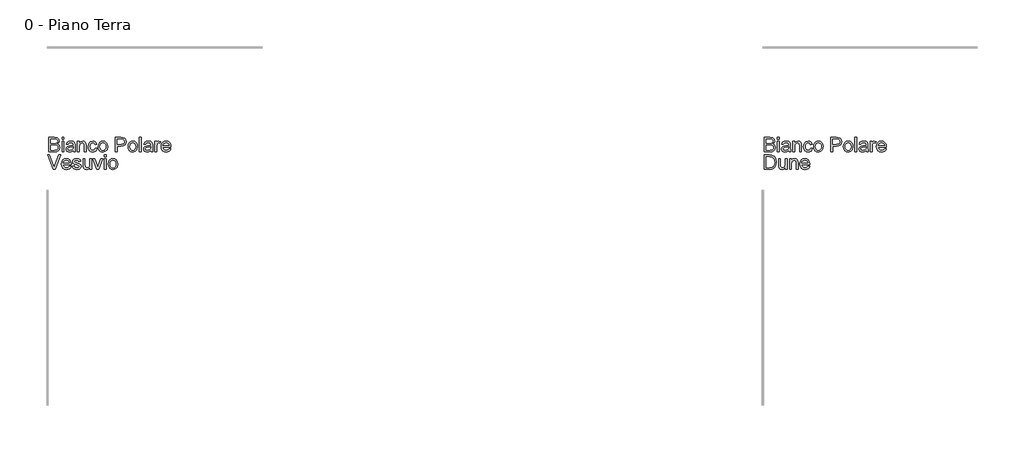
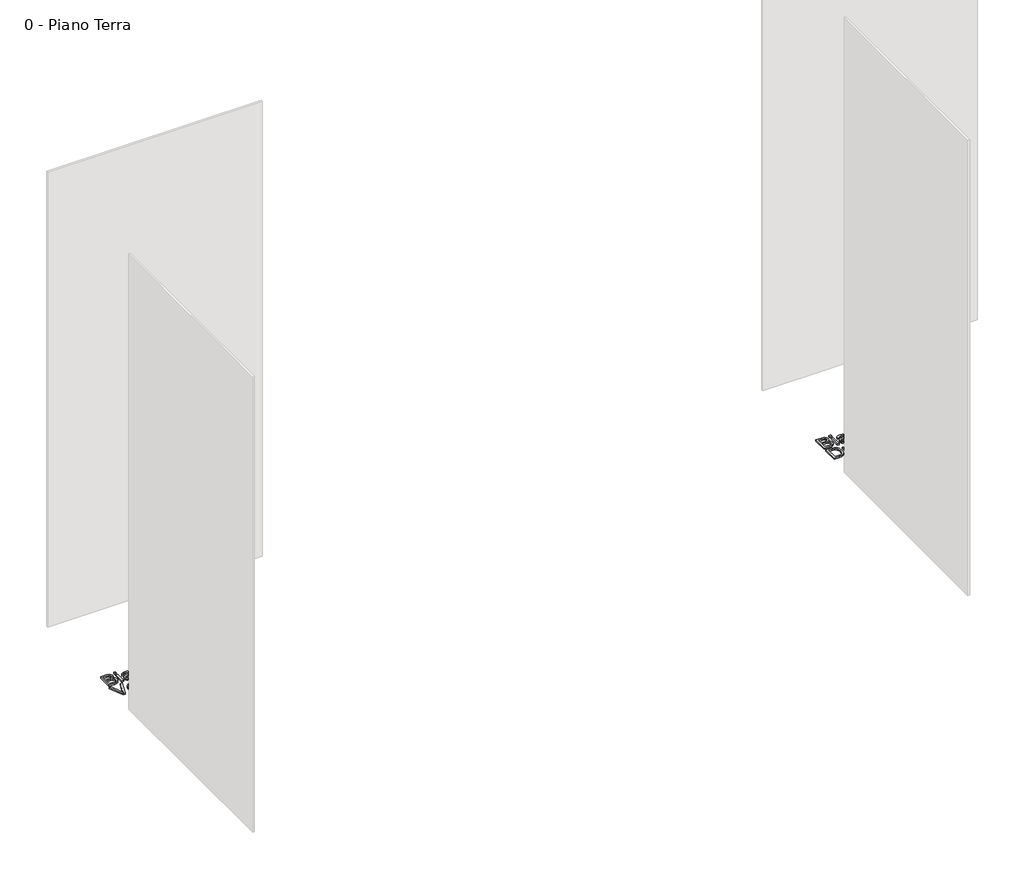
# One storey, part 15 of 35: 2 proxies.
"""IFC4 building model written with IfcOpenShell, lengths in millimetres."""

from ifc_helpers import new_model, si_unit, origin, origin_with_axes, place, context, project, spatial, polyline, outline, extrude, element, save

model = new_model("IFC4")

# Units and contexts
model_context = context("Model", 3, world=origin())
ifc_project = project(units=[si_unit("LENGTHUNIT", "METRE", prefix="MILLI")], contexts=[model_context])

# Site, building, storey
site = spatial("IfcSite", under=ifc_project)
building = spatial("IfcBuilding", under=site)
storey = spatial("IfcBuildingStorey", under=building, Name="0 - Piano Terra", Elevation=0.0)

# Proxies
placement = place(None, origin())
element("IfcBuildingElementProxy", 1, Name="Testo modello 1", ObjectType="Testo modello 1", at=placement, inside=storey, context=model_context, shape_type="SweptSolid", body=[
    extrude(outline(polyline([(-2268.2707509, -12273.7592352), (-2268.2707509, -12173.302925), (-2229.937447, -12173.302925), (-2211.1632025, -12176.2582437), (-2200.0776918, -12185.344929), (-2196.067778, -12198.1962733), (-2199.4400296, -12209.931709), (-2209.6303609, -12218.8221905), (-2197.2572631, -12228.1909187), (-2192.9285183, -12243.8136407), (-2195.883837, -12257.31491), (-2203.2046887, -12266.9288928), (-2214.130784, -12272.0301898), (-2230.2317526, -12273.7592352), (-2268.2707509, -12273.7592352)]), holes=[polyline([(-2255.7137122, -12214.113301), (-2232.7824011, -12214.113301), (-2219.3914965, -12213.0341805), (-2211.3348808, -12208.3866046), (-2208.6248168, -12200.2073616), (-2211.1509398, -12192.0158558), (-2218.3859524, -12187.1720762), (-2234.5237092, -12185.8599638), (-2255.7137122, -12185.8599638), (-2255.7137122, -12214.113301)]), polyline([(-2255.7137122, -12261.2021964), (-2229.9619725, -12261.2021964), (-2220.6422953, -12260.7116871), (-2212.7573579, -12257.9770976), (-2207.5334335, -12252.397554), (-2205.4855571, -12243.9362681), (-2207.8890528, -12234.1751325), (-2215.6758883, -12228.3503342), (-2231.1882458, -12226.6703398), (-2255.7137122, -12226.6703398), (-2255.7137122, -12261.2021964)])]), origin_with_axes(), (0.0, 0.0, 1.0), 10.0),
    extrude(outline(polyline([(-2177.2322199, -12185.8599638), (-2177.2322199, -12173.302925), (-2164.6751811, -12173.302925), (-2164.6751811, -12185.8599638), (-2177.2322199, -12185.8599638)])), origin_with_axes(), (0.0, 0.0, 1.0), 10.0),
    extrude(outline(polyline([(-2177.2322199, -12273.7592352), (-2177.2322199, -12199.9866324), (-2164.6751811, -12199.9866324), (-2164.6751811, -12273.7592352), (-2177.2322199, -12273.7592352)])), origin_with_axes(), (0.0, 0.0, 1.0), 10.0),
    extrude(outline(polyline([(-2098.7507275, -12264.3414561), (-2110.9276216, -12272.8517929), (-2124.3798399, -12275.328865), (-2134.8736738, -12273.8389429), (-2142.6145241, -12269.3691767), (-2147.387793, -12262.5817539), (-2148.9788826, -12254.1388621), (-2146.5753869, -12244.2060482), (-2140.2600793, -12236.9955611), (-2131.4676997, -12232.8752828), (-2120.6029181, -12230.9868218), (-2098.8243039, -12226.6703398), (-2098.7507275, -12223.8744366), (-2102.2088183, -12214.6038103), (-2116.0902323, -12210.9740413), (-2128.7944238, -12213.3897997), (-2134.852214, -12221.9614502), (-2147.4092528, -12220.3918204), (-2141.976862, -12208.1290872), (-2131.038504, -12200.9431256), (-2114.4715515, -12198.4170025), (-2099.2534996, -12200.64882), (-2090.6573237, -12206.252889), (-2086.8068254, -12214.7754886), (-2086.1936888, -12225.7628975), (-2086.1936888, -12241.3856196), (-2085.5560267, -12263.2010219), (-2083.0544291, -12273.7592352), (-2095.6114679, -12273.7592352), (-2098.7507275, -12264.3414561)]), holes=[polyline([(-2098.7507275, -12239.2273785), (-2119.0087627, -12243.0778768), (-2129.8122307, -12245.1134905), (-2134.7050612, -12248.4244284), (-2136.4218439, -12253.2559453), (-2132.6817102, -12260.0494995), (-2121.706564, -12262.7718262), (-2109.0023725, -12259.7674566), (-2100.8108667, -12252.4956558), (-2098.8243039, -12242.7835712), (-2098.7507275, -12239.2273785)])]), origin_with_axes(), (0.0, 0.0, 1.0), 10.0),
    extrude(outline(polyline([(-2068.9277605, -12273.7592352), (-2068.9277605, -12199.9866324), (-2056.3707217, -12199.9866324), (-2056.3707217, -12210.2873283), (-2046.7690016, -12201.384584), (-2033.6601399, -12198.4170025), (-2021.8020769, -12200.8082355), (-2013.708673, -12207.0867549), (-2009.9440139, -12216.320593), (-2009.2818263, -12228.4606988), (-2009.2818263, -12273.7592352), (-2021.8388651, -12273.7592352), (-2021.8388651, -12230.152956), (-2023.2858676, -12219.0429197), (-2028.3994273, -12213.1690705), (-2037.0201288, -12210.9740413), (-2050.6440253, -12215.90366), (-2054.9390476, -12223.0467021), (-2056.3707217, -12234.6165909), (-2056.3707217, -12273.7592352), (-2068.9277605, -12273.7592352)])), origin_with_axes(), (0.0, 0.0, 1.0), 10.0),
    extrude(outline(polyline([(-1944.9270026, -12247.0755278), (-1932.3699639, -12248.6451576), (-1935.8709742, -12259.8134419), (-1942.4499305, -12268.253268), (-1951.4875649, -12273.5599657), (-1962.3646092, -12275.328865), (-1975.7217913, -12272.8609899), (-1986.1665743, -12265.4573648), (-1992.9080119, -12253.442952), (-1995.1551577, -12237.1427139), (-1991.3169222, -12216.2838048), (-1979.6182748, -12202.8806374), (-1962.5362875, -12198.4170025), (-1951.9259576, -12199.9498442), (-1943.4432119, -12204.5483691), (-1937.3578306, -12211.9673227), (-1933.9395937, -12221.9614502), (-1946.4966325, -12223.5310801), (-1952.3214307, -12214.1255637), (-1962.4381856, -12210.9740413), (-1970.5530493, -12212.5252771), (-1976.9940499, -12217.1789843), (-1981.1971017, -12225.1865491), (-1982.5981189, -12236.7993574), (-1981.2277585, -12248.5685155), (-1977.1166772, -12256.6036714), (-1970.7921726, -12261.2297875), (-1962.7815421, -12262.7718262), (-1950.9480046, -12258.921328), (-1944.9270026, -12247.0755278)])), origin_with_axes(), (0.0, 0.0, 1.0), 10.0),
    extrude(outline(polyline([(-1924.5218146, -12236.8729338), (-1921.8056192, -12219.0858393), (-1913.657033, -12206.5839828), (-1903.5893291, -12200.4587476), (-1891.5350624, -12198.4170025), (-1878.3434272, -12200.9032717), (-1867.8066737, -12208.3620791), (-1860.8996892, -12220.2048137), (-1858.5973611, -12235.8428642), (-1862.6685885, -12258.185564), (-1874.5266515, -12270.8284419), (-1891.5350624, -12275.328865), (-1904.8861131, -12272.8517929), (-1915.4106039, -12265.4205766), (-1922.2440119, -12253.3295217), (-1924.5218146, -12236.8729338)]), holes=[polyline([(-1911.9647759, -12236.8484083), (-1910.511642, -12248.2128963), (-1906.1522403, -12256.3093658), (-1899.5916781, -12261.1562111), (-1891.5350624, -12262.7718262), (-1883.5152349, -12261.1470141), (-1876.9669354, -12256.2725776), (-1872.6075337, -12248.0688092), (-1871.1543999, -12236.4560008), (-1872.6167308, -12225.4226067), (-1877.0037236, -12217.4365017), (-1883.5612202, -12212.5896564), (-1891.5350624, -12210.9740413), (-1899.5916781, -12212.583525), (-1906.1522403, -12217.4119762), (-1910.511642, -12225.4900517), (-1911.9647759, -12236.8484083)])]), origin_with_axes(), (0.0, 0.0, 1.0), 10.0),
    extrude(outline(polyline([(-1803.6603165, -12273.7592352), (-1803.6603165, -12173.302925), (-1766.4306586, -12173.302925), (-1751.4210732, -12174.2594182), (-1739.2196537, -12178.956045), (-1731.3101908, -12188.6681297), (-1728.3180839, -12202.3656026), (-1730.3383692, -12214.2052715), (-1736.399225, -12224.0706403), (-1747.7330562, -12230.7293044), (-1765.5722672, -12232.9488592), (-1791.1032777, -12232.9488592), (-1791.1032777, -12273.7592352), (-1803.6603165, -12273.7592352)]), holes=[polyline([(-1791.1032777, -12220.3918204), (-1764.8365033, -12220.3918204), (-1746.3443016, -12215.7810327), (-1742.2424174, -12210.232146), (-1740.8751226, -12202.807061), (-1744.1002215, -12192.4082633), (-1752.5737701, -12186.7183551), (-1765.1308089, -12185.8599638), (-1791.1032777, -12185.8599638), (-1791.1032777, -12220.3918204)])]), origin_with_axes(), (0.0, 0.0, 1.0), 10.0),
    extrude(outline(polyline([(-1715.7610451, -12236.8729338), (-1713.0448497, -12219.0858393), (-1704.8962635, -12206.5839828), (-1694.8285596, -12200.4587476), (-1682.7742929, -12198.4170025), (-1669.5826577, -12200.9032717), (-1659.0459042, -12208.3620791), (-1652.1389197, -12220.2048137), (-1649.8365916, -12235.8428642), (-1653.907819, -12258.185564), (-1665.765882, -12270.8284419), (-1682.7742929, -12275.328865), (-1696.1253436, -12272.8517929), (-1706.6498344, -12265.4205766), (-1713.4832424, -12253.3295217), (-1715.7610451, -12236.8729338)]), holes=[polyline([(-1703.2040063, -12236.8484083), (-1701.7508725, -12248.2128963), (-1697.3914708, -12256.3093658), (-1690.8309086, -12261.1562111), (-1682.7742929, -12262.7718262), (-1674.7544654, -12261.1470141), (-1668.2061659, -12256.2725776), (-1663.8467642, -12248.0688092), (-1662.3936303, -12236.4560008), (-1663.8559613, -12225.4226067), (-1668.2429541, -12217.4365017), (-1674.8004506, -12212.5896564), (-1682.7742929, -12210.9740413), (-1690.8309086, -12212.583525), (-1697.3914708, -12217.4119762), (-1701.7508725, -12225.4900517), (-1703.2040063, -12236.8484083)])]), origin_with_axes(), (0.0, 0.0, 1.0), 10.0),
    extrude(outline(polyline([(-1635.709923, -12273.7592352), (-1635.709923, -12173.302925), (-1623.1528842, -12173.302925), (-1623.1528842, -12273.7592352), (-1635.709923, -12273.7592352)])), origin_with_axes(), (0.0, 0.0, 1.0), 10.0),
    extrude(outline(polyline([(-1557.2284306, -12264.3414561), (-1569.4053247, -12272.8517929), (-1582.857543, -12275.328865), (-1593.3513769, -12273.8389429), (-1601.0922272, -12269.3691767), (-1605.8654961, -12262.5817539), (-1607.4565857, -12254.1388621), (-1605.05309, -12244.2060482), (-1598.7377824, -12236.9955611), (-1589.9454028, -12232.8752828), (-1579.0806212, -12230.9868218), (-1557.302007, -12226.6703398), (-1557.2284306, -12223.8744366), (-1560.6865214, -12214.6038103), (-1574.5679354, -12210.9740413), (-1587.2721269, -12213.3897997), (-1593.3299171, -12221.9614502), (-1605.8869559, -12220.3918204), (-1600.4545651, -12208.1290872), (-1589.5162071, -12200.9431256), (-1572.9492546, -12198.4170025), (-1557.7312027, -12200.64882), (-1549.1350268, -12206.252889), (-1545.2845285, -12214.7754886), (-1544.6713919, -12225.7628975), (-1544.6713919, -12241.3856196), (-1544.0337298, -12263.2010219), (-1541.5321322, -12273.7592352), (-1554.089171, -12273.7592352), (-1557.2284306, -12264.3414561)]), holes=[polyline([(-1557.2284306, -12239.2273785), (-1577.4864658, -12243.0778768), (-1588.2899338, -12245.1134905), (-1593.1827643, -12248.4244284), (-1594.899547, -12253.2559453), (-1591.1594133, -12260.0494995), (-1580.1842671, -12262.7718262), (-1567.4800756, -12259.7674566), (-1559.2885698, -12252.4956558), (-1557.302007, -12242.7835712), (-1557.2284306, -12239.2273785)])]), origin_with_axes(), (0.0, 0.0, 1.0), 10.0),
    extrude(outline(polyline([(-1527.4054636, -12273.7592352), (-1527.4054636, -12199.9866324), (-1516.4180546, -12199.9866324), (-1516.4180546, -12210.9004649), (-1508.6189564, -12200.8450237), (-1500.7708071, -12198.4170025), (-1488.1647174, -12202.2920262), (-1492.3585722, -12213.5492153), (-1501.18774, -12210.9740413), (-1508.2878626, -12213.4511134), (-1512.8128111, -12220.318244), (-1514.8484248, -12234.9844729), (-1514.8484248, -12273.7592352), (-1527.4054636, -12273.7592352)])), origin_with_axes(), (0.0, 0.0, 1.0), 10.0),
    extrude(outline(polyline([(-1428.6659361, -12251.7844173), (-1416.354152, -12253.3540472), (-1420.7901957, -12262.6308048), (-1427.8688584, -12269.5653804), (-1437.4307246, -12273.8879938), (-1449.3163787, -12275.328865), (-1464.0500526, -12272.8425958), (-1475.3869495, -12265.3837884), (-1482.6158307, -12253.4368206), (-1485.0254577, -12237.4860704), (-1482.5913052, -12220.9988257), (-1475.2888476, -12208.6686475), (-1464.1052349, -12200.9799138), (-1450.0276173, -12198.4170025), (-1436.3883923, -12200.9737824), (-1425.4898882, -12208.644122), (-1418.3437804, -12220.9497747), (-1415.9617445, -12237.412494), (-1416.0353209, -12240.7970084), (-1472.468419, -12240.7970084), (-1470.2948495, -12250.1963934), (-1465.2456691, -12257.1064435), (-1457.9585399, -12261.3554805), (-1449.0711241, -12262.7718262), (-1436.75934, -12260.1476013), (-1428.6659361, -12251.7844173)]), holes=[polyline([(-1472.468419, -12228.2399696), (-1428.5187833, -12228.2399696), (-1433.5465039, -12216.8601532), (-1440.8673556, -12212.4455693), (-1450.0766682, -12210.9740413), (-1465.5399747, -12215.6706681), (-1470.4052141, -12221.1613069), (-1472.468419, -12228.2399696)])]), origin_with_axes(), (0.0, 0.0, 1.0), 10.0),
    extrude(outline(polyline([(-2268.2707509, -12395.734053), (-2268.2707509, -12295.2777428), (-2233.616267, -12295.2777428), (-2215.6881511, -12296.7247454), (-2200.9238203, -12303.910707), (-2189.0289692, -12321.0785334), (-2185.0803691, -12344.9663377), (-2187.7536449, -12365.2366356), (-2194.6207755, -12379.8660763), (-2203.7932999, -12388.977287), (-2215.7985157, -12394.0172704), (-2231.9485353, -12395.734053), (-2268.2707509, -12395.734053)]), holes=[polyline([(-2255.7137122, -12383.1770142), (-2233.4936396, -12383.1770142), (-2217.3313573, -12381.3621297), (-2208.0116801, -12376.2363073), (-2200.3719973, -12363.7651076), (-2197.6374079, -12344.7701339), (-2198.9771114, -12331.0849237), (-2202.9962222, -12320.9804316), (-2216.0315076, -12309.8458699), (-2233.8369962, -12307.8347816), (-2255.7137122, -12307.8347816), (-2255.7137122, -12383.1770142)])]), origin_with_axes(), (0.0, 0.0, 1.0), 10.0),
    extrude(outline(polyline([(-2122.2951752, -12395.734053), (-2122.2951752, -12383.0543869), (-2132.1298872, -12393.7413589), (-2144.9567061, -12397.3036828), (-2156.7657182, -12394.8020853), (-2164.908173, -12388.5235659), (-2168.6483066, -12379.2774651), (-2169.3840706, -12367.6033431), (-2169.3840706, -12321.9614502), (-2156.8270319, -12321.9614502), (-2156.8270319, -12361.6927057), (-2156.0667424, -12374.4949991), (-2151.1003355, -12382.0120546), (-2141.74387, -12384.7466441), (-2131.2592332, -12381.9507409), (-2124.3307889, -12374.3355836), (-2122.2951752, -12360.3438051), (-2122.2951752, -12321.9614502), (-2109.7381365, -12321.9614502), (-2109.7381365, -12395.734053), (-2122.2951752, -12395.734053)])), origin_with_axes(), (0.0, 0.0, 1.0), 10.0),
    extrude(outline(polyline([(-2092.4722082, -12395.734053), (-2092.4722082, -12321.9614502), (-2079.9151694, -12321.9614502), (-2079.9151694, -12332.2621461), (-2070.3134493, -12323.3594018), (-2057.2045876, -12320.3918204), (-2045.3465246, -12322.7830534), (-2037.2531207, -12329.0615727), (-2033.4884616, -12338.2954108), (-2032.826274, -12350.4355167), (-2032.826274, -12395.734053), (-2045.3833128, -12395.734053), (-2045.3833128, -12352.1277738), (-2046.8303153, -12341.0177376), (-2051.943875, -12335.1438884), (-2060.5645764, -12332.9488592), (-2074.188473, -12337.8784779), (-2078.4834953, -12345.02152), (-2079.9151694, -12356.5914087), (-2079.9151694, -12395.734053), (-2092.4722082, -12395.734053)])), origin_with_axes(), (0.0, 0.0, 1.0), 10.0),
    extrude(outline(polyline([(-1963.9097136, -12373.7592352), (-1951.5979295, -12375.328865), (-1956.0339732, -12384.6056226), (-1963.1126359, -12391.5401983), (-1972.6745021, -12395.8628117), (-1984.5601562, -12397.3036828), (-1999.2938302, -12394.8174137), (-2010.630727, -12387.3586062), (-2017.8596082, -12375.4116384), (-2020.2692352, -12359.4608883), (-2017.8350827, -12342.9736435), (-2010.5326251, -12330.6434653), (-1999.3490125, -12322.9547316), (-1985.2713948, -12320.3918204), (-1971.6321698, -12322.9486003), (-1960.7336657, -12330.6189399), (-1953.5875579, -12342.9245926), (-1951.205522, -12359.3873119), (-1951.2790984, -12362.7718262), (-2007.7121965, -12362.7718262), (-2005.538627, -12372.1712112), (-2000.4894466, -12379.0812613), (-1993.2023174, -12383.3302984), (-1984.3149016, -12384.7466441), (-1972.0031175, -12382.1224192), (-1963.9097136, -12373.7592352)]), holes=[polyline([(-2007.7121965, -12350.2147875), (-1963.7625608, -12350.2147875), (-1968.7902814, -12338.8349711), (-1976.1111331, -12334.4203871), (-1985.3204457, -12332.9488592), (-2000.7837522, -12337.645486), (-2005.6489916, -12343.1361247), (-2007.7121965, -12350.2147875)])]), origin_with_axes(), (0.0, 0.0, 1.0), 10.0),
])
element("IfcBuildingElementProxy", 2, Name="Testo modello 1", ObjectType="Testo modello 1", at=placement, inside=storey, context=model_context, shape_type="SweptSolid", body=[
    extrude(outline(polyline([(-7268.2707509, -12273.7592352), (-7268.2707509, -12173.302925), (-7229.937447, -12173.302925), (-7211.1632025, -12176.2582437), (-7200.0776918, -12185.344929), (-7196.067778, -12198.1962733), (-7199.4400296, -12209.931709), (-7209.6303609, -12218.8221905), (-7197.2572631, -12228.1909187), (-7192.9285183, -12243.8136407), (-7195.883837, -12257.31491), (-7203.2046887, -12266.9288928), (-7214.130784, -12272.0301898), (-7230.2317526, -12273.7592352), (-7268.2707509, -12273.7592352)]), holes=[polyline([(-7255.7137122, -12214.113301), (-7232.7824011, -12214.113301), (-7219.3914965, -12213.0341805), (-7211.3348808, -12208.3866046), (-7208.6248168, -12200.2073616), (-7211.1509398, -12192.0158558), (-7218.3859524, -12187.1720762), (-7234.5237092, -12185.8599638), (-7255.7137122, -12185.8599638), (-7255.7137122, -12214.113301)]), polyline([(-7255.7137122, -12261.2021964), (-7229.9619725, -12261.2021964), (-7220.6422953, -12260.7116871), (-7212.7573579, -12257.9770976), (-7207.5334335, -12252.397554), (-7205.4855571, -12243.9362681), (-7207.8890528, -12234.1751325), (-7215.6758883, -12228.3503342), (-7231.1882458, -12226.6703398), (-7255.7137122, -12226.6703398), (-7255.7137122, -12261.2021964)])]), origin_with_axes(), (0.0, 0.0, 1.0), 10.0),
    extrude(outline(polyline([(-7177.2322199, -12185.8599638), (-7177.2322199, -12173.302925), (-7164.6751811, -12173.302925), (-7164.6751811, -12185.8599638), (-7177.2322199, -12185.8599638)])), origin_with_axes(), (0.0, 0.0, 1.0), 10.0),
    extrude(outline(polyline([(-7177.2322199, -12273.7592352), (-7177.2322199, -12199.9866324), (-7164.6751811, -12199.9866324), (-7164.6751811, -12273.7592352), (-7177.2322199, -12273.7592352)])), origin_with_axes(), (0.0, 0.0, 1.0), 10.0),
    extrude(outline(polyline([(-7098.7507275, -12264.3414561), (-7110.9276216, -12272.8517929), (-7124.3798399, -12275.328865), (-7134.8736738, -12273.8389429), (-7142.6145241, -12269.3691767), (-7147.387793, -12262.5817539), (-7148.9788826, -12254.1388621), (-7146.5753869, -12244.2060482), (-7140.2600793, -12236.9955611), (-7131.4676997, -12232.8752828), (-7120.6029181, -12230.9868218), (-7098.8243039, -12226.6703398), (-7098.7507275, -12223.8744366), (-7102.2088183, -12214.6038103), (-7116.0902323, -12210.9740413), (-7128.7944238, -12213.3897997), (-7134.852214, -12221.9614502), (-7147.4092528, -12220.3918204), (-7141.976862, -12208.1290872), (-7131.038504, -12200.9431256), (-7114.4715515, -12198.4170025), (-7099.2534996, -12200.64882), (-7090.6573237, -12206.252889), (-7086.8068254, -12214.7754886), (-7086.1936888, -12225.7628975), (-7086.1936888, -12241.3856196), (-7085.5560267, -12263.2010219), (-7083.0544291, -12273.7592352), (-7095.6114679, -12273.7592352), (-7098.7507275, -12264.3414561)]), holes=[polyline([(-7098.7507275, -12239.2273785), (-7119.0087627, -12243.0778768), (-7129.8122307, -12245.1134905), (-7134.7050612, -12248.4244284), (-7136.4218439, -12253.2559453), (-7132.6817102, -12260.0494995), (-7121.706564, -12262.7718262), (-7109.0023725, -12259.7674566), (-7100.8108667, -12252.4956558), (-7098.8243039, -12242.7835712), (-7098.7507275, -12239.2273785)])]), origin_with_axes(), (0.0, 0.0, 1.0), 10.0),
    extrude(outline(polyline([(-7068.9277605, -12273.7592352), (-7068.9277605, -12199.9866324), (-7056.3707217, -12199.9866324), (-7056.3707217, -12210.2873283), (-7046.7690016, -12201.384584), (-7033.6601399, -12198.4170025), (-7021.8020769, -12200.8082355), (-7013.708673, -12207.0867549), (-7009.9440139, -12216.320593), (-7009.2818263, -12228.4606988), (-7009.2818263, -12273.7592352), (-7021.8388651, -12273.7592352), (-7021.8388651, -12230.152956), (-7023.2858676, -12219.0429197), (-7028.3994273, -12213.1690705), (-7037.0201288, -12210.9740413), (-7050.6440253, -12215.90366), (-7054.9390476, -12223.0467021), (-7056.3707217, -12234.6165909), (-7056.3707217, -12273.7592352), (-7068.9277605, -12273.7592352)])), origin_with_axes(), (0.0, 0.0, 1.0), 10.0),
    extrude(outline(polyline([(-6944.9270026, -12247.0755278), (-6932.3699639, -12248.6451576), (-6935.8709742, -12259.8134419), (-6942.4499305, -12268.253268), (-6951.4875649, -12273.5599657), (-6962.3646092, -12275.328865), (-6975.7217913, -12272.8609899), (-6986.1665743, -12265.4573648), (-6992.9080119, -12253.442952), (-6995.1551577, -12237.1427139), (-6991.3169222, -12216.2838048), (-6979.6182748, -12202.8806374), (-6962.5362875, -12198.4170025), (-6951.9259576, -12199.9498442), (-6943.4432119, -12204.5483691), (-6937.3578306, -12211.9673227), (-6933.9395937, -12221.9614502), (-6946.4966325, -12223.5310801), (-6952.3214307, -12214.1255637), (-6962.4381856, -12210.9740413), (-6970.5530493, -12212.5252771), (-6976.9940499, -12217.1789843), (-6981.1971017, -12225.1865491), (-6982.5981189, -12236.7993574), (-6981.2277585, -12248.5685155), (-6977.1166772, -12256.6036714), (-6970.7921726, -12261.2297875), (-6962.7815421, -12262.7718262), (-6950.9480046, -12258.921328), (-6944.9270026, -12247.0755278)])), origin_with_axes(), (0.0, 0.0, 1.0), 10.0),
    extrude(outline(polyline([(-6924.5218146, -12236.8729338), (-6921.8056192, -12219.0858393), (-6913.657033, -12206.5839828), (-6903.5893291, -12200.4587476), (-6891.5350624, -12198.4170025), (-6878.3434272, -12200.9032717), (-6867.8066737, -12208.3620791), (-6860.8996892, -12220.2048137), (-6858.5973611, -12235.8428642), (-6862.6685885, -12258.185564), (-6874.5266515, -12270.8284419), (-6891.5350624, -12275.328865), (-6904.8861131, -12272.8517929), (-6915.4106039, -12265.4205766), (-6922.2440119, -12253.3295217), (-6924.5218146, -12236.8729338)]), holes=[polyline([(-6911.9647759, -12236.8484083), (-6910.511642, -12248.2128963), (-6906.1522403, -12256.3093658), (-6899.5916781, -12261.1562111), (-6891.5350624, -12262.7718262), (-6883.5152349, -12261.1470141), (-6876.9669354, -12256.2725776), (-6872.6075337, -12248.0688092), (-6871.1543999, -12236.4560008), (-6872.6167308, -12225.4226067), (-6877.0037236, -12217.4365017), (-6883.5612202, -12212.5896564), (-6891.5350624, -12210.9740413), (-6899.5916781, -12212.583525), (-6906.1522403, -12217.4119762), (-6910.511642, -12225.4900517), (-6911.9647759, -12236.8484083)])]), origin_with_axes(), (0.0, 0.0, 1.0), 10.0),
    extrude(outline(polyline([(-6803.6603165, -12273.7592352), (-6803.6603165, -12173.302925), (-6766.4306586, -12173.302925), (-6751.4210732, -12174.2594182), (-6739.2196537, -12178.956045), (-6731.3101908, -12188.6681297), (-6728.3180839, -12202.3656026), (-6730.3383692, -12214.2052715), (-6736.399225, -12224.0706403), (-6747.7330562, -12230.7293044), (-6765.5722672, -12232.9488592), (-6791.1032777, -12232.9488592), (-6791.1032777, -12273.7592352), (-6803.6603165, -12273.7592352)]), holes=[polyline([(-6791.1032777, -12220.3918204), (-6764.8365033, -12220.3918204), (-6746.3443016, -12215.7810327), (-6742.2424174, -12210.232146), (-6740.8751226, -12202.807061), (-6744.1002215, -12192.4082633), (-6752.5737701, -12186.7183551), (-6765.1308089, -12185.8599638), (-6791.1032777, -12185.8599638), (-6791.1032777, -12220.3918204)])]), origin_with_axes(), (0.0, 0.0, 1.0), 10.0),
    extrude(outline(polyline([(-6715.7610451, -12236.8729338), (-6713.0448497, -12219.0858393), (-6704.8962635, -12206.5839828), (-6694.8285596, -12200.4587476), (-6682.7742929, -12198.4170025), (-6669.5826577, -12200.9032717), (-6659.0459042, -12208.3620791), (-6652.1389197, -12220.2048137), (-6649.8365916, -12235.8428642), (-6653.907819, -12258.185564), (-6665.765882, -12270.8284419), (-6682.7742929, -12275.328865), (-6696.1253436, -12272.8517929), (-6706.6498344, -12265.4205766), (-6713.4832424, -12253.3295217), (-6715.7610451, -12236.8729338)]), holes=[polyline([(-6703.2040063, -12236.8484083), (-6701.7508725, -12248.2128963), (-6697.3914708, -12256.3093658), (-6690.8309086, -12261.1562111), (-6682.7742929, -12262.7718262), (-6674.7544654, -12261.1470141), (-6668.2061659, -12256.2725776), (-6663.8467642, -12248.0688092), (-6662.3936303, -12236.4560008), (-6663.8559613, -12225.4226067), (-6668.2429541, -12217.4365017), (-6674.8004506, -12212.5896564), (-6682.7742929, -12210.9740413), (-6690.8309086, -12212.583525), (-6697.3914708, -12217.4119762), (-6701.7508725, -12225.4900517), (-6703.2040063, -12236.8484083)])]), origin_with_axes(), (0.0, 0.0, 1.0), 10.0),
    extrude(outline(polyline([(-6635.709923, -12273.7592352), (-6635.709923, -12173.302925), (-6623.1528842, -12173.302925), (-6623.1528842, -12273.7592352), (-6635.709923, -12273.7592352)])), origin_with_axes(), (0.0, 0.0, 1.0), 10.0),
    extrude(outline(polyline([(-6557.2284306, -12264.3414561), (-6569.4053247, -12272.8517929), (-6582.857543, -12275.328865), (-6593.3513769, -12273.8389429), (-6601.0922272, -12269.3691767), (-6605.8654961, -12262.5817539), (-6607.4565857, -12254.1388621), (-6605.05309, -12244.2060482), (-6598.7377824, -12236.9955611), (-6589.9454028, -12232.8752828), (-6579.0806212, -12230.9868218), (-6557.302007, -12226.6703398), (-6557.2284306, -12223.8744366), (-6560.6865214, -12214.6038103), (-6574.5679354, -12210.9740413), (-6587.2721269, -12213.3897997), (-6593.3299171, -12221.9614502), (-6605.8869559, -12220.3918204), (-6600.4545651, -12208.1290872), (-6589.5162071, -12200.9431256), (-6572.9492546, -12198.4170025), (-6557.7312027, -12200.64882), (-6549.1350268, -12206.252889), (-6545.2845285, -12214.7754886), (-6544.6713919, -12225.7628975), (-6544.6713919, -12241.3856196), (-6544.0337298, -12263.2010219), (-6541.5321322, -12273.7592352), (-6554.089171, -12273.7592352), (-6557.2284306, -12264.3414561)]), holes=[polyline([(-6557.2284306, -12239.2273785), (-6577.4864658, -12243.0778768), (-6588.2899338, -12245.1134905), (-6593.1827643, -12248.4244284), (-6594.899547, -12253.2559453), (-6591.1594133, -12260.0494995), (-6580.1842671, -12262.7718262), (-6567.4800756, -12259.7674566), (-6559.2885698, -12252.4956558), (-6557.302007, -12242.7835712), (-6557.2284306, -12239.2273785)])]), origin_with_axes(), (0.0, 0.0, 1.0), 10.0),
    extrude(outline(polyline([(-6527.4054636, -12273.7592352), (-6527.4054636, -12199.9866324), (-6516.4180546, -12199.9866324), (-6516.4180546, -12210.9004649), (-6508.6189564, -12200.8450237), (-6500.7708071, -12198.4170025), (-6488.1647174, -12202.2920262), (-6492.3585722, -12213.5492153), (-6501.18774, -12210.9740413), (-6508.2878626, -12213.4511134), (-6512.8128111, -12220.318244), (-6514.8484248, -12234.9844729), (-6514.8484248, -12273.7592352), (-6527.4054636, -12273.7592352)])), origin_with_axes(), (0.0, 0.0, 1.0), 10.0),
    extrude(outline(polyline([(-6428.6659361, -12251.7844173), (-6416.354152, -12253.3540472), (-6420.7901957, -12262.6308048), (-6427.8688584, -12269.5653804), (-6437.4307246, -12273.8879938), (-6449.3163787, -12275.328865), (-6464.0500526, -12272.8425958), (-6475.3869495, -12265.3837884), (-6482.6158307, -12253.4368206), (-6485.0254577, -12237.4860704), (-6482.5913052, -12220.9988257), (-6475.2888476, -12208.6686475), (-6464.1052349, -12200.9799138), (-6450.0276173, -12198.4170025), (-6436.3883923, -12200.9737824), (-6425.4898882, -12208.644122), (-6418.3437804, -12220.9497747), (-6415.9617445, -12237.412494), (-6416.0353209, -12240.7970084), (-6472.468419, -12240.7970084), (-6470.2948495, -12250.1963934), (-6465.2456691, -12257.1064435), (-6457.9585399, -12261.3554805), (-6449.0711241, -12262.7718262), (-6436.75934, -12260.1476013), (-6428.6659361, -12251.7844173)]), holes=[polyline([(-6472.468419, -12228.2399696), (-6428.5187833, -12228.2399696), (-6433.5465039, -12216.8601532), (-6440.8673556, -12212.4455693), (-6450.0766682, -12210.9740413), (-6465.5399747, -12215.6706681), (-6470.4052141, -12221.1613069), (-6472.468419, -12228.2399696)])]), origin_with_axes(), (0.0, 0.0, 1.0), 10.0),
    extrude(outline(polyline([(-7238.5949366, -12395.734053), (-7278.5714468, -12295.2777428), (-7265.1314912, -12295.2777428), (-7238.3742074, -12367.652394), (-7232.9540794, -12383.9618292), (-7227.6075277, -12367.652394), (-7200.7766675, -12295.2777428), (-7187.336712, -12295.2777428), (-7225.620965, -12395.734053), (-7238.5949366, -12395.734053)])), origin_with_axes(), (0.0, 0.0, 1.0), 10.0),
    extrude(outline(polyline([(-7125.5815877, -12373.7592352), (-7113.2698036, -12375.328865), (-7117.7058473, -12384.6056226), (-7124.7845101, -12391.5401983), (-7134.3463763, -12395.8628117), (-7146.2320304, -12397.3036828), (-7160.9657043, -12394.8174137), (-7172.3026011, -12387.3586062), (-7179.5314823, -12375.4116384), (-7181.9411094, -12359.4608883), (-7179.5069569, -12342.9736435), (-7172.2044993, -12330.6434653), (-7161.0208866, -12322.9547316), (-7146.9432689, -12320.3918204), (-7133.3040439, -12322.9486003), (-7122.4055398, -12330.6189399), (-7115.2594321, -12342.9245926), (-7112.8773962, -12359.3873119), (-7112.9509726, -12362.7718262), (-7169.3840706, -12362.7718262), (-7167.2105012, -12372.1712112), (-7162.1613208, -12379.0812613), (-7154.8741916, -12383.3302984), (-7145.9867757, -12384.7466441), (-7133.6749916, -12382.1224192), (-7125.5815877, -12373.7592352)]), holes=[polyline([(-7169.3840706, -12350.2147875), (-7125.4344349, -12350.2147875), (-7130.4621555, -12338.8349711), (-7137.7830072, -12334.4203871), (-7146.9923198, -12332.9488592), (-7162.4556264, -12337.645486), (-7167.3208658, -12343.1361247), (-7169.3840706, -12350.2147875)])]), origin_with_axes(), (0.0, 0.0, 1.0), 10.0),
    extrude(outline(polyline([(-7105.0292469, -12373.7592352), (-7092.4722082, -12372.1896053), (-7086.6596726, -12381.5092825), (-7073.3423444, -12384.7466441), (-7060.540051, -12381.7790626), (-7056.3707217, -12374.8138302), (-7060.5645764, -12369.1729729), (-7073.4894972, -12365.5922549), (-7092.3986318, -12359.4486255), (-7100.6514512, -12352.2749266), (-7103.4596171, -12342.145909), (-7101.2032742, -12332.7894436), (-7095.0473821, -12325.6402702), (-7087.0643428, -12321.924662), (-7076.2608749, -12320.3918204), (-7060.9815094, -12322.8566298), (-7051.2694247, -12329.5275566), (-7046.9529426, -12340.7970084), (-7059.5099814, -12342.3666382), (-7064.2311337, -12335.438194), (-7075.2798563, -12332.9488592), (-7087.2973348, -12335.3278294), (-7090.9025783, -12340.8705848), (-7089.4065249, -12344.5248793), (-7084.7221608, -12347.296257), (-7073.9064301, -12349.9695328), (-7055.4755422, -12355.8801702), (-7046.9161544, -12362.5756225), (-7043.8136829, -12373.489455), (-7047.4557147, -12385.5069335), (-7057.964877, -12394.2257368), (-7073.5140227, -12397.3036828), (-7086.1752947, -12395.8198921), (-7095.4152641, -12391.36852), (-7101.5834189, -12383.9986174), (-7105.0292469, -12373.7592352)])), origin_with_axes(), (0.0, 0.0, 1.0), 10.0),
    extrude(outline(polyline([(-6982.5981189, -12395.734053), (-6982.5981189, -12383.0543869), (-6992.4328309, -12393.7413589), (-7005.2596498, -12397.3036828), (-7017.0686619, -12394.8020853), (-7025.2111167, -12388.5235659), (-7028.9512503, -12379.2774651), (-7029.6870143, -12367.6033431), (-7029.6870143, -12321.9614502), (-7017.1299756, -12321.9614502), (-7017.1299756, -12361.6927057), (-7016.3696861, -12374.4949991), (-7011.4032792, -12382.0120546), (-7002.0468137, -12384.7466441), (-6991.5621769, -12381.9507409), (-6984.6337326, -12374.3355836), (-6982.5981189, -12360.3438051), (-6982.5981189, -12321.9614502), (-6970.0410802, -12321.9614502), (-6970.0410802, -12395.734053), (-6982.5981189, -12395.734053)])), origin_with_axes(), (0.0, 0.0, 1.0), 10.0),
    extrude(outline(polyline([(-6934.6753577, -12395.734053), (-6960.6233011, -12321.9614502), (-6947.3304983, -12321.9614502), (-6931.6096744, -12366.1563406), (-6926.8762594, -12381.0187732), (-6922.2409463, -12366.9902064), (-6906.4220205, -12321.9614502), (-6893.1292177, -12321.9614502), (-6918.75833, -12395.734053), (-6934.6753577, -12395.734053)])), origin_with_axes(), (0.0, 0.0, 1.0), 10.0),
    extrude(outline(polyline([(-6882.1418088, -12307.8347816), (-6882.1418088, -12295.2777428), (-6869.58477, -12295.2777428), (-6869.58477, -12307.8347816), (-6882.1418088, -12307.8347816)])), origin_with_axes(), (0.0, 0.0, 1.0), 10.0),
    extrude(outline(polyline([(-6882.1418088, -12395.734053), (-6882.1418088, -12321.9614502), (-6869.58477, -12321.9614502), (-6869.58477, -12395.734053), (-6882.1418088, -12395.734053)])), origin_with_axes(), (0.0, 0.0, 1.0), 10.0),
    extrude(outline(polyline([(-6853.8884716, -12358.8477516), (-6851.1722762, -12341.0606571), (-6843.02369, -12328.5588007), (-6832.955986, -12322.4335655), (-6820.9017193, -12320.3918204), (-6807.7100841, -12322.8780895), (-6797.1733306, -12330.336897), (-6790.2663462, -12342.1796315), (-6787.964018, -12357.817682), (-6792.0352454, -12380.1603819), (-6803.8933084, -12392.8032598), (-6820.9017193, -12397.3036828), (-6834.2527701, -12394.8266107), (-6844.7772608, -12387.3953944), (-6851.6106689, -12375.3043395), (-6853.8884716, -12358.8477516)]), holes=[polyline([(-6841.3314328, -12358.8232261), (-6839.8782989, -12370.1877141), (-6835.5188973, -12378.2841837), (-6828.958335, -12383.131029), (-6820.9017193, -12384.7466441), (-6812.8818918, -12383.1218319), (-6806.3335923, -12378.2473955), (-6801.9741907, -12370.043627), (-6800.5210568, -12358.4308187), (-6801.9833877, -12347.3974245), (-6806.3703805, -12339.4113195), (-6812.9278771, -12334.5644742), (-6820.9017193, -12332.9488592), (-6828.958335, -12334.5583429), (-6835.5188973, -12339.3867941), (-6839.8782989, -12347.4648695), (-6841.3314328, -12358.8232261)])]), origin_with_axes(), (0.0, 0.0, 1.0), 10.0),
])

save(model, "model.ifc")
